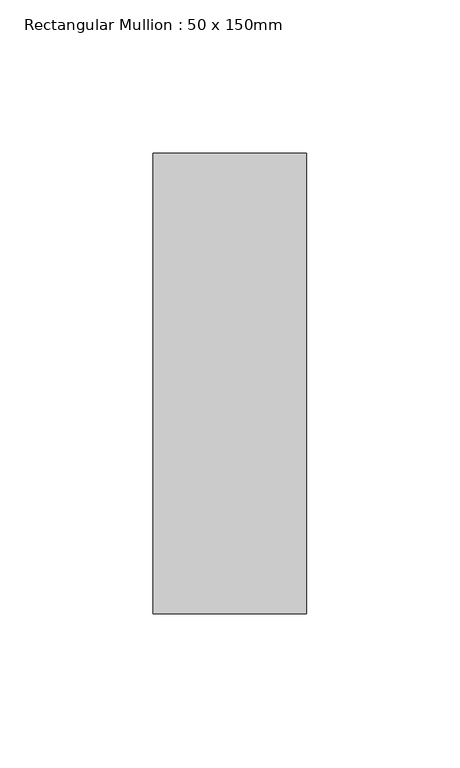
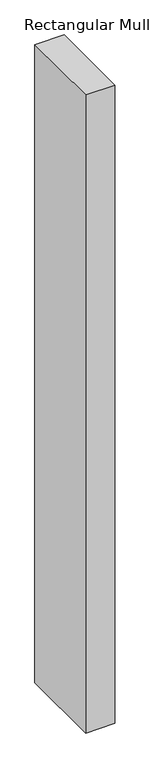
"""IFC4 building model written with IfcOpenShell, lengths in millimetres: member geometry, Rectangular Mullion : 50 x 150mm."""

from ifc_helpers import new_model, si_unit, frame, origin, place, context, project, spatial, polyline, outline, extrude, source, transform, mapped, element, save


def rectangular_mullion_50_x_150mm_877882c7(model_context):
    return source(origin(), model_context, "Body", "SweptSolid", [
        extrude(outline(polyline([(25.0, 75.0), (25.0, -75.0), (-25.0, -75.0), (-25.0, 75.0), (25.0, 75.0)])), frame((0.0, 0.0, -1154.0346468), z_axis=(0.0, 0.0, 1.0), x_axis=(1.0, 0.0, 0.0)), (0.0, 0.0, 1.0), 1154.0346468),
    ])


if __name__ == "__main__":
    model = new_model("IFC4")
    model_context = context("Model", 3, world=origin())
    ifc_project = project(units=[si_unit("LENGTHUNIT", "METRE", prefix="MILLI")], contexts=[model_context])
    site = spatial("IfcSite", under=ifc_project)
    building = spatial("IfcBuilding", under=site)
    placement = place(None, origin())
    rectangular_mullion_50_x_150mm_shape = rectangular_mullion_50_x_150mm_877882c7(model_context)
    element("IfcMember", 1, ObjectType="Rectangular Mullion : 50 x 150mm", at=placement, inside=building, context=model_context, shape_type="MappedRepresentation", body=[
        mapped(rectangular_mullion_50_x_150mm_shape, transform((0.0, 0.0, 0.0), x_axis=(1.0, 0.0, 0.0), y_axis=(0.0, 1.0, 0.0), z_axis=(0.0, 0.0, 1.0))),
    ])
    save(model, "model.ifc")
